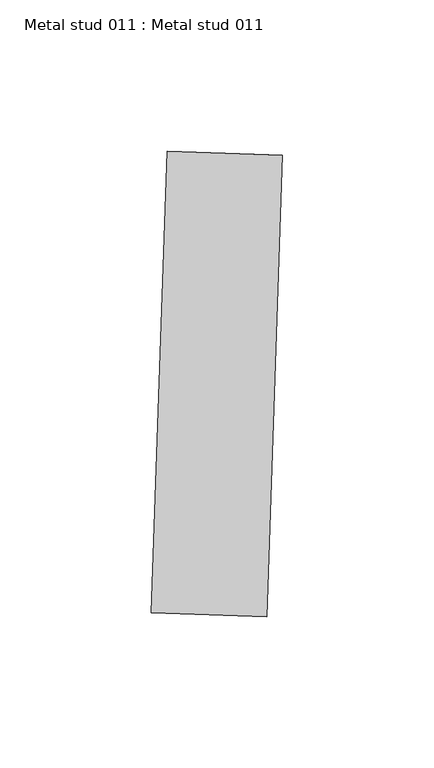
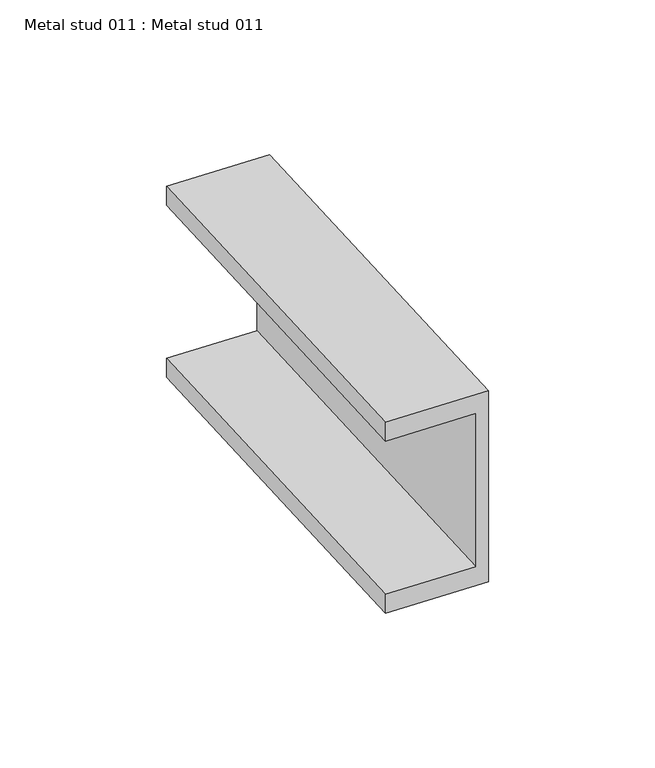
"""IFC4 building model written with IfcOpenShell, lengths in millimetres: proxy geometry, Metal stud 011 : Metal stud 011."""

from ifc_helpers import new_model, si_unit, frame, origin, place, context, project, spatial, polyline, outline, extrude, source, transform, mapped, element, save


def metal_stud_011_metal_stud_011_3b6234d8(model_context):
    return source(origin(), model_context, "Body", "SweptSolid", [
        extrude(outline(polyline([(0.0, 0.0), (0.0, -76.2), (-38.1, -76.2), (-38.1, -68.7), (-4.5, -68.7), (-4.5, -7.5), (-38.1, -7.5), (-38.1, 0.0), (0.0, 0.0)])), frame((33592.670258, -15045.8778803, 4025.9), z_axis=(0.03420178183660745, 0.9994149479166304, 0.0), x_axis=(0.9994149479166304, -0.03420178183660745, 0.0)), (0.0, 0.0, 1.0), 152.4),
    ])


if __name__ == "__main__":
    model = new_model("IFC4")
    model_context = context("Model", 3, world=origin())
    ifc_project = project(units=[si_unit("LENGTHUNIT", "METRE", prefix="MILLI")], contexts=[model_context])
    site = spatial("IfcSite", under=ifc_project)
    building = spatial("IfcBuilding", under=site)
    placement = place(None, origin())
    metal_stud_011_metal_stud_011_shape = metal_stud_011_metal_stud_011_3b6234d8(model_context)
    element("IfcBuildingElementProxy", 1, Name="Metal stud 011 : Metal stud 011", ObjectType="Metal stud 011 : Metal stud 011", at=placement, inside=building, context=model_context, shape_type="MappedRepresentation", body=[
        mapped(metal_stud_011_metal_stud_011_shape, transform((0.0, 0.0, 0.0), x_axis=(1.0, 0.0, 0.0), y_axis=(0.0, 1.0, 0.0), z_axis=(0.0, 0.0, 1.0))),
    ])
    save(model, "model.ifc")
